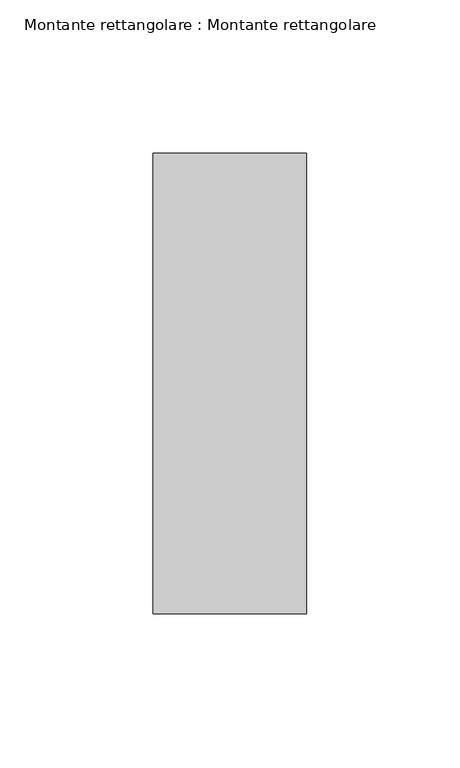
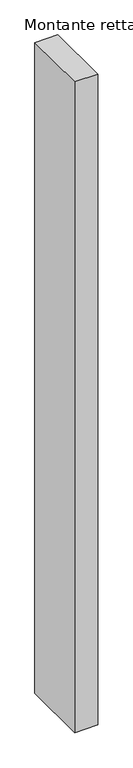
"""IFC4 building model written with IfcOpenShell, lengths in millimetres: member geometry, Montante rettangolare : Montante rettangolare."""

from ifc_helpers import new_model, si_unit, frame, origin, place, context, project, spatial, polyline, outline, extrude, source, transform, mapped, element, save


def montante_rettangolare_montante_rettangolare_964d2677(model_context):
    return source(origin(), model_context, "Body", "SweptSolid", [
        extrude(outline(polyline([(25.0, 75.0), (25.0, -75.0), (-25.0, -75.0), (-25.0, 75.0), (25.0, 75.0)])), frame((0.0, 0.0, -1500.0), z_axis=(0.0, 0.0, 1.0), x_axis=(1.0, 0.0, 0.0)), (0.0, 0.0, 1.0), 1500.0),
    ])


if __name__ == "__main__":
    model = new_model("IFC4")
    model_context = context("Model", 3, world=origin())
    ifc_project = project(units=[si_unit("LENGTHUNIT", "METRE", prefix="MILLI")], contexts=[model_context])
    site = spatial("IfcSite", under=ifc_project)
    building = spatial("IfcBuilding", under=site)
    placement = place(None, origin())
    montante_rettangolare_montante_rettangolare_shape = montante_rettangolare_montante_rettangolare_964d2677(model_context)
    element("IfcMember", 1, ObjectType="Montante rettangolare : Montante rettangolare", at=placement, inside=building, context=model_context, shape_type="MappedRepresentation", body=[
        mapped(montante_rettangolare_montante_rettangolare_shape, transform((0.0, 0.0, 0.0), x_axis=(1.0, 0.0, 0.0), y_axis=(0.0, 1.0, 0.0), z_axis=(0.0, 0.0, 1.0))),
    ])
    save(model, "model.ifc")
